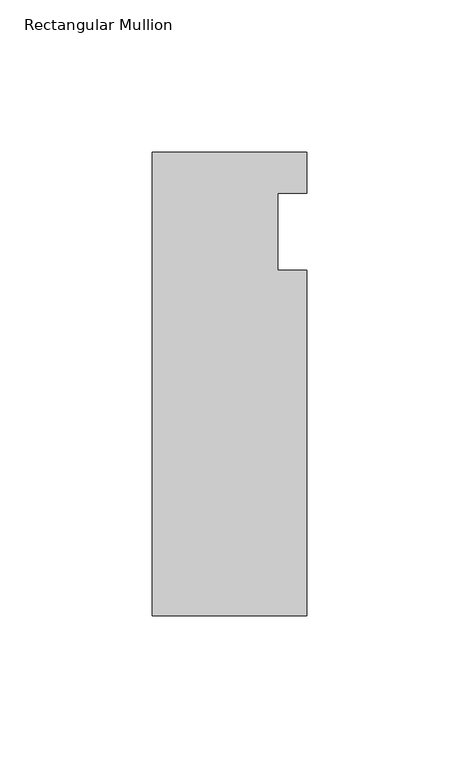
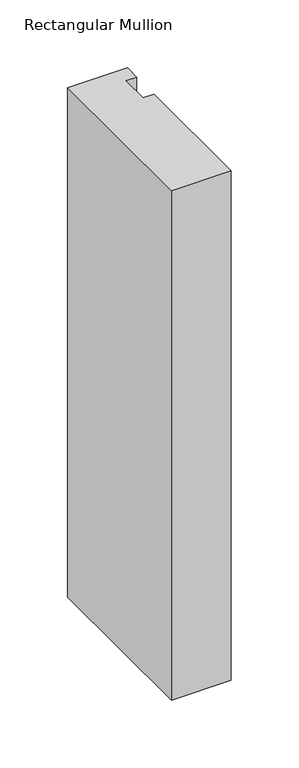
"""IFC4 building model written with IfcOpenShell, lengths in millimetres: member geometry, Rectangular Mullion."""

from ifc_helpers import new_model, si_unit, frame, origin, place, context, project, spatial, polyline, outline, extrude, source, transform, mapped, element, save


def rectangular_mullion_0d380d96(model_context):
    return source(origin(), model_context, "Body", "SweptSolid", [
        extrude(outline(polyline([(-25.4, 26.19375), (25.4, 26.19375), (25.4, 12.7), (15.875, 12.7), (15.875, -12.7), (25.4, -12.7), (25.4, -126.20625), (-25.4, -126.20625), (-25.4, 26.19375)])), frame((0.0, 0.0, -457.2), z_axis=(0.0, 0.0, 1.0), x_axis=(1.0, 0.0, 0.0)), (0.0, 0.0, 1.0), 457.2),
    ])


if __name__ == "__main__":
    model = new_model("IFC4")
    model_context = context("Model", 3, world=origin())
    ifc_project = project(units=[si_unit("LENGTHUNIT", "METRE", prefix="MILLI")], contexts=[model_context])
    site = spatial("IfcSite", under=ifc_project)
    building = spatial("IfcBuilding", under=site)
    placement = place(None, origin())
    rectangular_mullion_shape = rectangular_mullion_0d380d96(model_context)
    element("IfcMember", 1, ObjectType="Rectangular Mullion", at=placement, inside=building, context=model_context, shape_type="MappedRepresentation", body=[
        mapped(rectangular_mullion_shape, transform((0.0, 0.0, 0.0), x_axis=(1.0, 0.0, 0.0), y_axis=(0.0, 1.0, 0.0), z_axis=(0.0, 0.0, 1.0))),
    ])
    save(model, "model.ifc")
